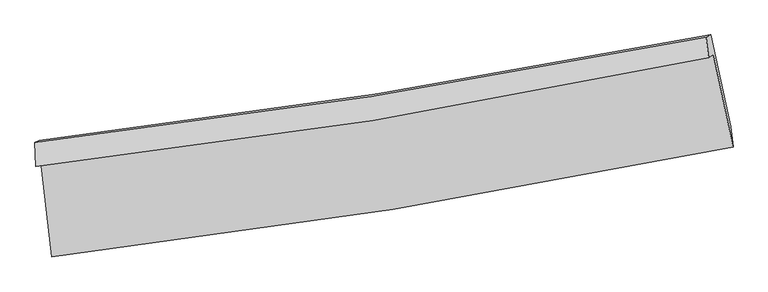
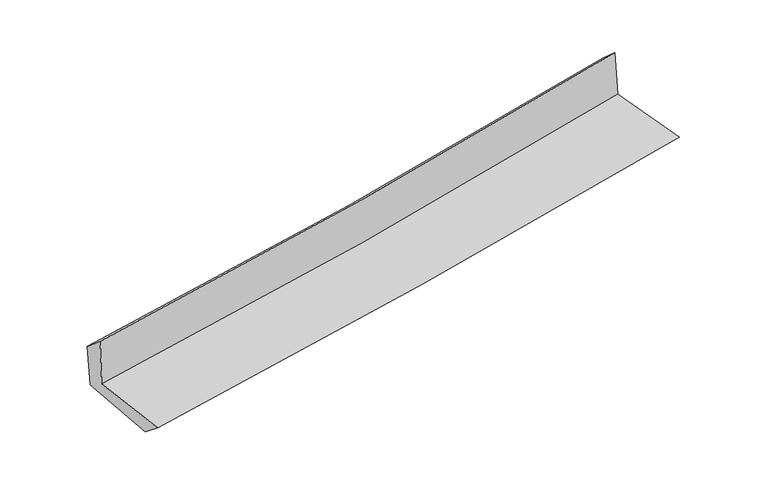
"""IFC4 building model written with IfcOpenShell, lengths in millimetres: proxy geometry."""

from ifc_helpers import new_model, si_unit, frame, origin, place, context, project, spatial, source, transform, mapped, element, save
from ifc_brep_helpers import plane_surface, spline_curve, spline_surface, advanced_brep


def generic_models_4060e959(model_context):
    return source(origin(), model_context, "Body", "AdvancedBrep", [
        advanced_brep(
        [(-2384.766196, -1858.2707032, 1680.4535292), (-2305.5676695, -2526.0733396, 1670.1855406), (2469.2360543, -1754.7530383, 2085.3448458), (2330.8799501, -1105.2148178, 2118.1379476), (-2418.4985505, -1892.8645872, 2085.5857393), (2297.1415165, -1125.9447723, 2505.9195053), (-2425.0952405, -1723.2195845, 1943.2072809), (2279.9399956, -983.4506579, 2379.0946906), (-2393.3680818, -1708.0256087, 1583.9447256), (2313.3437918, -967.5689932, 2005.0030938), (-2313.0971546, -2356.9288976, 1538.4372356), (2451.2952777, -1611.5986806, 1964.6538973)],
        [
            (0, 1),
            (1, 2, spline_curve(3, [(-2305.5676695, -2526.0733396, 1670.1855406), (-1506.845213842, -2432.753054544, 1751.908989526), (-710.394108162, -2321.983708023, 1827.309431245), (881.225820825, -2065.020505602, 1965.747889566), (1676.37595643, -1918.683084788, 2028.733883019), (2469.2360543, -1754.7530383, 2085.3448458)], [4, 2, 4], [0.0, 7.901035781185272, 15.834508396008738])),
            (2, 3),
            (3, 0, spline_curve(3, [(2330.8799501, -1105.2148178, 2118.1379476), (1548.670223199, -1266.010887412, 2048.378897511), (763.784380355, -1409.256252859, 1976.947536264), (-808.119506609, -1660.131658956, 1831.039083158), (-1595.115712786, -1767.904921983, 1756.575638362), (-2384.766196, -1858.2707032, 1680.4535292)], [4, 2, 4], [0.0, 7.933472614823466, 15.834508396008738])),
            (4, 0),
            (3, 5),
            (5, 4, spline_curve(3, [(2297.1415165, -1125.9447723, 2505.9195053), (1515.311485629, -1293.625398236, 2444.8832949), (730.615610569, -1441.466055727, 2379.256236707), (-841.287798402, -1696.944090049, 2239.107517756), (-1628.471945847, -1804.743370856, 2164.623320565), (-2418.4985505, -1892.8645872, 2085.5857393)], [4, 2, 4], [0.0, 7.88576578184666, 15.739289784437968])),
            (6, 4),
            (5, 7),
            (7, 6, spline_curve(3, [(2279.9399956, -983.4506579, 2379.0946906), (1499.249490501, -1137.948287891, 2303.567601434), (716.009571657, -1276.939096618, 2229.408493568), (-852.356311278, -1523.402195764, 2084.123853578), (-1637.461471254, -1631.001028864, 2012.987158449), (-2425.0952405, -1723.2195845, 1943.2072809)], [4, 2, 4], [0.0, 7.87501265708569, 15.71782750019276])),
            (8, 6),
            (7, 9),
            (9, 8, spline_curve(3, [(2313.3437918, -967.5689932, 2005.0030938), (1532.22949439, -1122.25214807, 1933.54919603), (748.637820754, -1261.393071827, 1862.663333327), (-820.286353919, -1508.085111572, 1722.315179277), (-1605.598637918, -1615.763059539, 1652.84825277), (-2393.3680818, -1708.0256087, 1583.9447256)], [4, 2, 4], [0.0, 7.863896344707942, 15.695640325644604])),
            (10, 8),
            (9, 11),
            (11, 10, spline_curve(3, [(2451.2952777, -1611.5986806, 1964.6538973), (1659.781808624, -1762.936719361, 1892.620900801), (866.174774069, -1900.816310309, 1821.014461019), (-721.973121233, -2149.149888616, 1678.945721587), (-1516.496897414, -2259.713702985, 1608.479940566), (-2313.0971546, -2356.9288976, 1538.4372356)], [4, 2, 4], [0.0, 7.9116582342916795, 15.790968825324533])),
            (1, 10),
            (11, 2),
        ],
        [
            spline_surface(3, 3, [[(-2384.766196, -1858.2707032, 1680.4535292), (-1595.115712711, -1767.904922032, 1756.575638373), (-808.119506691, -1660.131658939, 1831.039083214), (763.784380437, -1409.256252877, 1976.947536207), (1548.670223107, -1266.010887486, 2048.378897547), (2330.8799501, -1105.2148178, 2118.1379476)], [(-2358.366687167, -2080.871581992, 1677.030866326), (-1565.692213094, -1989.520966216, 1755.020088753), (-775.54437386, -1880.749008674, 1829.795865862), (802.93152726, -1627.844337101, 1973.21432068), (1591.238800904, -1483.568286614, 2041.830559409), (2376.998651496, -1321.727557957, 2107.206913695)], [(-2331.967178333, -2303.472460808, 1673.608203474), (-1536.268713475, -2211.137010426, 1753.464539155), (-742.969241052, -2101.366358374, 1828.552648523), (842.078674061, -1846.43242129, 1969.481105167), (1633.807378713, -1701.125685772, 2035.282221187), (2423.117352904, -1538.240298143, 2096.275879705)], [(-2305.5676695, -2526.0733396, 1670.1855406), (-1506.845213858, -2432.75305461, 1751.908989535), (-710.394108221, -2321.98370811, 1827.309431171), (881.225820884, -2065.020505514, 1965.74788964), (1676.37595651, -1918.683084901, 2028.733883049), (2469.2360543, -1754.7530383, 2085.3448458)]], [4, 4], [4, 2, 4], [0.0, 2.190192446593067], [0.0, 7.901035781185272, 15.834508396008738]),
            spline_surface(3, 3, [[(-2418.4985505, -1892.8645872, 2085.5857393), (-1628.47194582, -1804.743370823, 2164.623320679), (-841.287798429, -1696.944090074, 2239.107517767), (730.615610596, -1441.466055702, 2379.256236695), (1515.311485552, -1293.625398131, 2444.883294913), (2297.1415165, -1125.9447723, 2505.9195053)], [(-2407.254432343, -1881.333292536, 1950.541669289), (-1617.35320146, -1792.463887895, 2028.607426599), (-830.231701207, -1684.67327967, 2103.084706262), (741.671867185, -1430.729454735, 2245.153336545), (1526.431064739, -1284.42056125, 2312.715162441), (2308.387661036, -1119.034787467, 2376.65898605)], [(-2396.010314157, -1869.801997864, 1815.497599211), (-1606.234457071, -1780.18440496, 1892.591532453), (-819.175603913, -1672.402469343, 1967.06189472), (752.728123848, -1419.992853844, 2111.050436358), (1537.550643919, -1275.215724367, 2180.547030019), (2319.633805564, -1112.124802633, 2247.39846685)], [(-2384.766196, -1858.2707032, 1680.4535292), (-1595.115712711, -1767.904922032, 1756.575638373), (-808.119506691, -1660.131658939, 1831.039083214), (763.784380437, -1409.256252877, 1976.947536207), (1548.670223107, -1266.010887486, 2048.378897547), (2330.8799501, -1105.2148178, 2118.1379476)]], [4, 4], [4, 2, 4], [0.0, 1.3385613694432426], [0.0, 7.853524002591308, 15.739289784437968]),
            spline_surface(3, 3, [[(-2425.0952405, -1723.2195845, 1943.2072809), (-1637.461471269, -1631.001028876, 2012.987158486), (-852.356311394, -1523.402195638, 2084.123853659), (716.009571774, -1276.939096744, 2229.408493487), (1499.249490608, -1137.948287769, 2303.567601559), (2279.9399956, -983.4506579, 2379.0946906)], [(-2422.896343843, -1779.767918748, 1990.666767034), (-1634.464962796, -1688.915142874, 2063.532545884), (-848.666807073, -1581.249493804, 2135.785075021), (720.878251381, -1331.781416418, 2279.357741216), (1504.60348891, -1189.840657909, 2350.672832697), (2285.673835888, -1030.948696052, 2421.369628853)], [(-2420.697447157, -1836.316252952, 2038.126253166), (-1631.468454294, -1746.829256826, 2114.077933281), (-844.97730275, -1639.096791908, 2187.446296405), (725.746930989, -1386.623736029, 2329.306988966), (1509.957487249, -1241.733027991, 2397.778063775), (2291.407676212, -1078.446734148, 2463.644567047)], [(-2418.4985505, -1892.8645872, 2085.5857393), (-1628.47194582, -1804.743370823, 2164.623320679), (-841.287798429, -1696.944090074, 2239.107517767), (730.615610596, -1441.466055702, 2379.256236695), (1515.311485552, -1293.625398131, 2444.883294913), (2297.1415165, -1125.9447723, 2505.9195053)]], [4, 4], [4, 2, 4], [0.0, 0.7478492642282683], [0.0, 7.84281484310707, 15.71782750019276]),
            spline_surface(3, 3, [[(-2393.3680818, -1708.0256087, 1583.9447256), (-1605.598637958, -1615.763059469, 1652.848252714), (-820.286353819, -1508.085111486, 1722.315179326), (748.637820653, -1261.393071914, 1862.663333278), (1532.229494394, -1122.252148068, 1933.549196072), (2313.3437918, -967.5689932, 2005.0030938)], [(-2403.943801358, -1713.090267283, 1703.698910673), (-1616.219582387, -1620.842382588, 1772.894554611), (-830.976339653, -1513.19080618, 1842.918070763), (737.761737717, -1266.575080168, 1984.911720007), (1521.23615981, -1127.484194625, 2056.888664538), (2302.209193078, -972.862881424, 2129.700292704)], [(-2414.519520942, -1718.154925917, 1823.453095827), (-1626.84052684, -1625.921705758, 1892.940856589), (-841.66632556, -1518.296500944, 1963.520962222), (726.88565471, -1271.757088491, 2107.160106758), (1510.242825192, -1132.716241211, 2180.228133092), (2291.074594322, -978.156769676, 2254.397491696)], [(-2425.0952405, -1723.2195845, 1943.2072809), (-1637.461471269, -1631.001028876, 2012.987158486), (-852.356311394, -1523.402195638, 2084.123853659), (716.009571774, -1276.939096744, 2229.408493487), (1499.249490608, -1137.948287769, 2303.567601559), (2279.9399956, -983.4506579, 2379.0946906)]], [4, 4], [4, 2, 4], [0.0, 1.2009385846451224], [0.0, 7.831743980936662, 15.695640325644604]),
            spline_surface(3, 3, [[(-2313.0971546, -2356.9288976, 1538.4372356), (-1516.496897352, -2259.713703057, 1608.479940622), (-721.973121223, -2149.149888504, 1678.945721468), (866.174774058, -1900.816310421, 1821.014461139), (1659.781808721, -1762.936719269, 1892.620900825), (2451.2952777, -1611.5986806, 1964.6538973)], [(-2339.854130338, -2140.627801315, 1553.60639896), (-1546.197477558, -2045.063488543, 1623.269378012), (-754.744198764, -1935.461629527, 1693.402207447), (826.995789581, -1687.675230949, 1834.897418545), (1617.264370614, -1549.375195529, 1906.263665912), (2405.311449068, -1396.922118127, 1978.103629472)], [(-2366.611106062, -1924.326704985, 1568.77556224), (-1575.898057752, -1830.413273984, 1638.058815324), (-787.515276277, -1721.773370462, 1707.858693347), (787.81680513, -1474.534151387, 1848.780375872), (1574.746932501, -1335.813671807, 1919.906430984), (2359.327620432, -1182.245555673, 1991.553361628)], [(-2393.3680818, -1708.0256087, 1583.9447256), (-1605.598637958, -1615.763059469, 1652.848252714), (-820.286353819, -1508.085111486, 1722.315179326), (748.637820653, -1261.393071914, 1862.663333278), (1532.229494394, -1122.252148068, 1933.549196072), (2313.3437918, -967.5689932, 2005.0030938)]], [4, 4], [4, 2, 4], [0.0, 2.134743403882047], [0.0, 7.879310591032854, 15.790968825324533]),
            spline_surface(3, 3, [[(-2305.5676695, -2526.0733396, 1670.1855406), (-1506.845213858, -2432.75305461, 1751.908989535), (-710.394108221, -2321.98370811, 1827.309431171), (881.225820884, -2065.020505514, 1965.74788964), (1676.37595651, -1918.683084901, 2028.733883049), (2469.2360543, -1754.7530383, 2085.3448458)], [(-2308.077497851, -2469.691858927, 1626.269438919), (-1510.062441674, -2375.073270753, 1704.09930655), (-714.253779219, -2264.372434895, 1777.85486125), (876.208805278, -2010.285773803, 1917.503413454), (1670.844573915, -1866.767629696, 1983.362888966), (2463.255795435, -1707.034919073, 2045.114529625)], [(-2310.587326249, -2413.310378273, 1582.353337281), (-1513.279669537, -2317.393486915, 1656.289623607), (-718.113450225, -2206.761161719, 1728.400291388), (871.191789664, -1955.551042132, 1869.258937325), (1665.313191316, -1814.852174473, 1937.991894907), (2457.275536565, -1659.316799827, 2004.884213475)], [(-2313.0971546, -2356.9288976, 1538.4372356), (-1516.496897352, -2259.713703057, 1608.479940622), (-721.973121223, -2149.149888504, 1678.945721468), (866.174774058, -1900.816310421, 1821.014461139), (1659.781808721, -1762.936719269, 1892.620900825), (2451.2952777, -1611.5986806, 1964.6538973)]], [4, 4], [4, 2, 4], [0.0, 0.7339440399963479], [0.0, 7.9379196523792075, 15.908427561074216]),
            plane_surface(frame((2356.9727643, -1258.0884934, 2176.3589967), z_axis=(0.9745484119415839, 0.2027575419973594, 0.09562830096433922), x_axis=(-0.08885982166965932, -0.04224794941068071, 0.9951477492631077))),
            plane_surface(frame((-2373.3988155, -2010.8971201, 1750.3023419), z_axis=(-0.988972347750593, -0.11586963818118019, -0.09223839944645001), x_axis=(-0.11775665731186605, 0.9929251171795536, 0.015267001431382357))),
        ],
        [
            (0, [[1, 2, 3, 4]]),
            (1, [[5, -4, 6, 7]]),
            (2, [[8, -7, 9, 10]]),
            (3, [[11, -10, 12, 13]]),
            (4, [[14, -13, 15, 16]]),
            (5, [[17, -16, 18, -2]]),
            (6, [[-12, -9, -6, -3, -18, -15]]),
            (7, [[-1, -5, -8, -11, -14, -17]]),
        ],
    ),
    ])


if __name__ == "__main__":
    model = new_model("IFC4")
    model_context = context("Model", 3, world=origin())
    ifc_project = project(units=[si_unit("LENGTHUNIT", "METRE", prefix="MILLI")], contexts=[model_context])
    site = spatial("IfcSite", under=ifc_project)
    building = spatial("IfcBuilding", under=site)
    placement = place(None, origin())
    generic_models_shape = generic_models_4060e959(model_context)
    element("IfcBuildingElementProxy", 1, Name="Generic Models", at=placement, inside=building, context=model_context, shape_type="MappedRepresentation", body=[
        mapped(generic_models_shape, transform((0.0, 0.0, 0.0), x_axis=(1.0, 0.0, 0.0), y_axis=(0.0, 1.0, 0.0), z_axis=(0.0, 0.0, 1.0))),
    ])
    save(model, "model.ifc")
